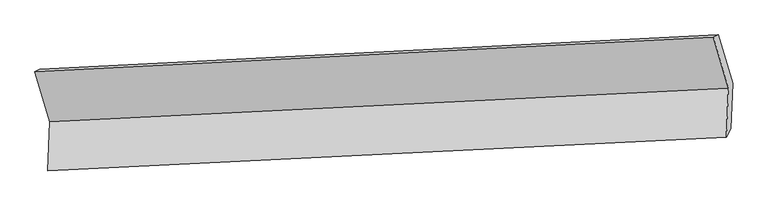
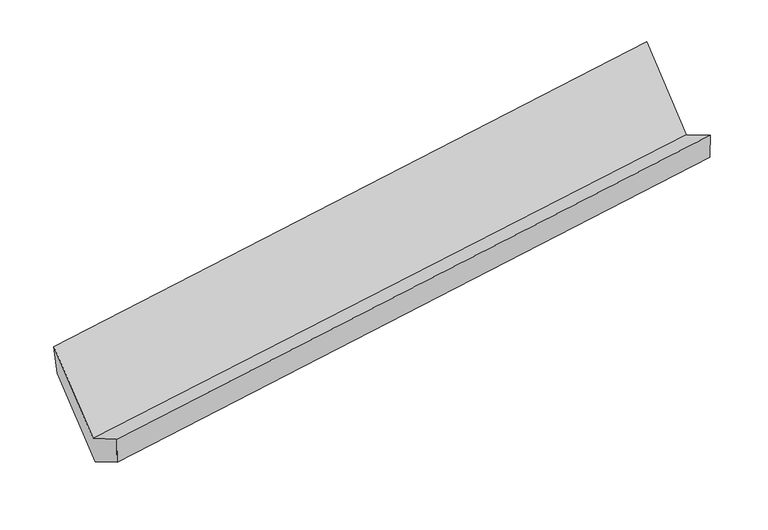
"""IFC4 building model written with IfcOpenShell, lengths in millimetres: proxy geometry."""

from ifc_helpers import new_model, si_unit, frame, origin, place, context, project, spatial, source, transform, mapped, element, save
from ifc_brep_helpers import plane_surface, spline_surface, advanced_brep


def generic_models_3a47e6ac(model_context):
    return source(origin(), model_context, "Body", "AdvancedBrep", [
        advanced_brep(
        [(-5171.8848995, -1640.4741441, 1442.4031541), (-5184.7947133, -1978.1507919, 1645.2894069), (-518.3418804, -1748.0326239, 2325.2199923), (-505.4320666, -1410.3559762, 2122.3337395), (-5153.1316169, -1925.3819584, 1412.6841024), (-488.1843806, -1690.1300802, 2101.0632496), (-5141.2044073, -1613.4068802, 1225.240123), (-476.257171, -1378.1550021, 1913.6192703), (-5238.877782, -1280.3649556, 1773.3281973), (-573.9305457, -1045.1130775, 2461.7073446), (-5272.5694675, -1297.1647992, 2007.3883522), (-607.6222312, -1061.912921, 2695.7674995)],
        [
            (0, 1),
            (1, 2),
            (2, 3),
            (3, 0),
            (1, 4),
            (4, 5),
            (5, 2),
            (4, 6),
            (6, 7),
            (7, 5),
            (6, 8),
            (8, 9),
            (9, 7),
            (8, 10),
            (10, 11),
            (11, 9),
            (10, 0),
            (3, 11),
        ],
        [
            plane_surface(frame((-5178.3398064, -1809.312468, 1543.8462805), z_axis=(-0.14846657485375547, 0.5134754028626229, 0.8451631125447097), x_axis=(-0.03275347183046806, -0.8567189859526789, 0.5147424493776129))),
            spline_surface(1, 1, [[(-5184.7947133, -1978.1507919, 1645.2894069), (-518.3418804, -1748.0326239, 2325.2199923)], [(-5153.1316169, -1925.3819584, 1412.6841024), (-488.1843806, -1690.1300802, 2101.0632496)]], [2, 2], [2, 2], [0.0, 1.0], [0.0, 1.0]),
            plane_surface(frame((-5147.1680121, -1769.3944193, 1318.9621127), z_axis=(0.15055966251485192, -0.5133710176357218, -0.844856192659483), x_axis=(0.032753471830471725, 0.8567189859526798, -0.5147424493776113))),
            plane_surface(frame((-5190.0410946, -1446.8859179, 1499.2841602), z_axis=(0.03275347183042342, 0.8567189859526759, -0.5147424493776211), x_axis=(-0.15055966251484676, 0.5133710176357247, 0.8448561926594822))),
            plane_surface(frame((-5255.7236247, -1288.7648774, 1890.3582748), z_axis=(-0.059527401276033225, 0.9962406275457337, 0.06293727452476065), x_axis=(-0.14211787498711145, -0.07086490434201717, 0.9873098170998527))),
            plane_surface(frame((-5222.2271835, -1468.8194717, 1724.8957532), z_axis=(-0.03275347183042412, -0.8567189859526788, 0.5147424493776155), x_axis=(0.15055966251484607, -0.5133710176357194, -0.8448561926594854))),
            plane_surface(frame((-528.2947126, -1388.9499468, 2269.9518493), z_axis=(0.9880581957083651, 0.04982747595333234, 0.1458020045597811), x_axis=(-0.14211787498711145, -0.07086490434201717, 0.9873098170998527))),
            plane_surface(frame((-5193.7438144, -1622.4905882, 1584.3888893), z_axis=(-0.9880581957083644, -0.04982747595332608, -0.14580200455978792), x_axis=(-0.15055966251484904, 0.5133710176357107, 0.8448561926594903))),
        ],
        [
            (0, [[1, 2, 3, 4]]),
            (1, [[5, 6, 7, -2]]),
            (2, [[8, 9, 10, -6]]),
            (3, [[11, 12, 13, -9]]),
            (4, [[14, 15, 16, -12]]),
            (5, [[17, -4, 18, -15]]),
            (6, [[-16, -18, -3, -7, -10, -13]]),
            (7, [[-17, -14, -11, -8, -5, -1]]),
        ],
    ),
    ])


if __name__ == "__main__":
    model = new_model("IFC4")
    model_context = context("Model", 3, world=origin())
    ifc_project = project(units=[si_unit("LENGTHUNIT", "METRE", prefix="MILLI")], contexts=[model_context])
    site = spatial("IfcSite", under=ifc_project)
    building = spatial("IfcBuilding", under=site)
    placement = place(None, origin())
    generic_models_shape = generic_models_3a47e6ac(model_context)
    element("IfcBuildingElementProxy", 1, Name="Generic Models", at=placement, inside=building, context=model_context, shape_type="MappedRepresentation", body=[
        mapped(generic_models_shape, transform((0.0, 0.0, 0.0), x_axis=(1.0, 0.0, 0.0), y_axis=(0.0, 1.0, 0.0), z_axis=(0.0, 0.0, 1.0))),
    ])
    save(model, "model.ifc")
